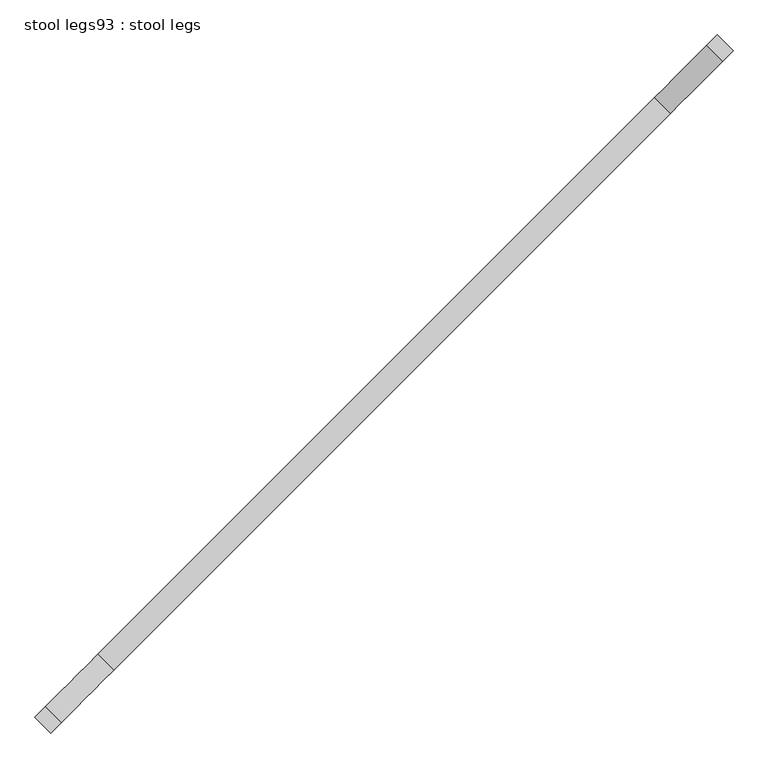
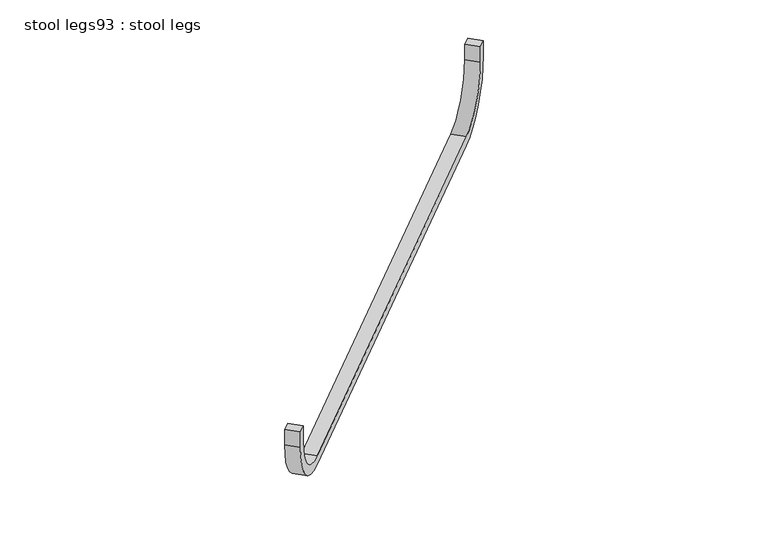
"""IFC4 building model written with IfcOpenShell, lengths in millimetres: furniture geometry, stool legs93 : stool legs."""

from ifc_helpers import new_model, si_unit, point, frame, frame_2d, origin, place, context, project, spatial, polyline, circle_curve, trimmed, segment, composite_curve, outline, extrude, source, transform, mapped, element, save


def stool_legs93_stool_legs_11d1ef0a(model_context):
    return source(origin(), model_context, "Body", "SweptSolid", [
        extrude(outline(composite_curve([segment(polyline([(-44.45, 0.0), (0.0, 0.0), (0.0, -25.3999999), (-44.45, -25.3999999)]), True, "CONTINUOUS"), segment(trimmed(circle_curve(frame_2d((-44.45, 127.0)), 152.4), [point((-44.45, -25.3999999))], [point((-196.85, 127.0))], False, "CARTESIAN"), True, "CONTINUOUS"), segment(polyline([(-196.85, 127.0), (-196.85, 1473.2)]), True, "CONTINUOUS"), segment(trimmed(circle_curve(frame_2d((-44.45, 1473.2)), 152.4), [point((-196.85, 1473.2))], [point((-44.45, 1625.6))], False, "CARTESIAN"), True, "CONTINUOUS"), segment(polyline([(-44.45, 1625.6), (0.0, 1625.6), (0.0, 1600.2), (-44.45, 1600.2)]), True, "CONTINUOUS"), segment(trimmed(circle_curve(frame_2d((-44.45, 1473.2)), 127.0), [point((-44.45, 1600.2))], [point((-171.45, 1473.2))], True, "CARTESIAN"), True, "CONTINUOUS"), segment(polyline([(-171.45, 1473.2), (-171.45, 127.0)]), True, "CONTINUOUS"), segment(trimmed(circle_curve(frame_2d((-44.45, 127.0)), 127.0), [point((-171.45, 127.0))], [point((-44.45, 0.0))], True, "CARTESIAN"), True, "CONTINUOUS")], self_intersect=False)), frame((-234009.6833682, -37331.8715364, 457.2), z_axis=(-0.707106781186561, 0.707106781186534, 0.0), x_axis=(0.0, 0.0, 1.0)), (0.0, 0.0, 1.0), 38.1),
    ])


if __name__ == "__main__":
    model = new_model("IFC4")
    model_context = context("Model", 3, world=origin())
    ifc_project = project(units=[si_unit("LENGTHUNIT", "METRE", prefix="MILLI")], contexts=[model_context])
    site = spatial("IfcSite", under=ifc_project)
    building = spatial("IfcBuilding", under=site)
    placement = place(None, origin())
    stool_legs93_stool_legs_shape = stool_legs93_stool_legs_11d1ef0a(model_context)
    element("IfcFurniture", 1, ObjectType="stool legs93 : stool legs", at=placement, inside=building, context=model_context, shape_type="MappedRepresentation", body=[
        mapped(stool_legs93_stool_legs_shape, transform((0.0, 0.0, 0.0), x_axis=(1.0, 0.0, 0.0), y_axis=(0.0, 1.0, 0.0), z_axis=(0.0, 0.0, 1.0))),
    ])
    save(model, "model.ifc")
